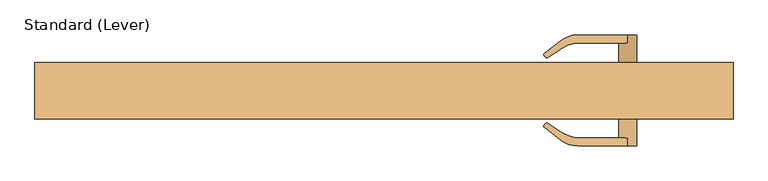
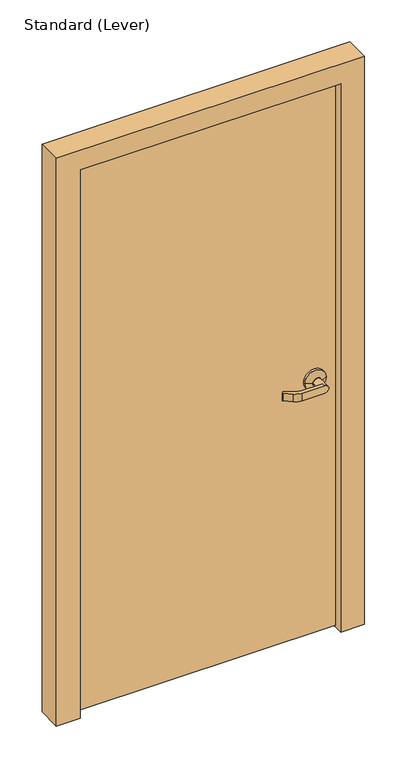
"""IFC4 building model written with IfcOpenShell, lengths in millimetres: door geometry, Standard (Lever)."""

from ifc_helpers import new_model, si_unit, frame, origin, place, context, project, spatial, polyline, circle_curve, outline, extrude, faceted_brep, source, transform, mapped, element, save
from ifc_brep_helpers import plane_surface, cylinder_surface, revolved_surface, advanced_brep


def standard_lever_ab5ebf7a(model_context):
    return source(origin(), model_context, "Body", "SolidModel", [
        advanced_brep(
        [(420.6875, 23.01875, 965.2), (344.4875, 23.01875, 965.2), (344.4875, 30.95625, 965.2), (420.6875, 30.95625, 965.2), (396.875, 88.10625, 965.2), (382.5875, 88.10625, 950.9125), (303.8375396, 88.10625, 950.9125), (303.8375396, 88.10625, 979.4875), (382.5875, 88.10625, 979.4875), (396.875, 43.65625, 965.2), (368.3, 43.65625, 965.2), (368.3, 75.40625, 965.2), (382.5875, 75.40625, 950.9125), (382.5875, 75.40625, 979.4875), (398.4625, 43.65625, 965.2), (366.7125, 43.65625, 965.2), (307.180272, 75.40625, 979.4875), (276.2447239, 78.5050523, 979.4875), (251.9253134, 59.2492682, 979.4875), (251.6792118, 54.9993463, 979.4875), (253.6960617, 52.9824964, 979.4875), (257.0588233, 52.6290559, 979.4875), (279.512609, 67.2107149, 979.4875), (307.180272, 75.40625, 950.9125), (279.512609, 67.2107149, 950.9125), (257.0588233, 52.6290559, 950.9125), (253.6960617, 52.9824964, 950.9125), (251.6792118, 54.9993463, 950.9125), (251.9253134, 59.2492682, 950.9125), (276.2447239, 78.5050523, 950.9125)],
        [
            (0, 1, circle_curve(frame((382.5875, 23.01875, 965.2), z_axis=(0.0, -1.0, 0.0), x_axis=(-1.0, 0.0, 0.0)), 38.1)),
            (1, 0, circle_curve(frame((382.5875, 23.01875, 965.2), z_axis=(0.0, -1.0, 0.0), x_axis=(-1.0, 0.0, 0.0)), 38.1)),
            (1, 2),
            (2, 3, circle_curve(frame((382.5875, 30.95625, 965.2), z_axis=(0.0, -1.0, 0.0), x_axis=(-1.0, 0.0, 0.0)), 38.1)),
            (3, 0),
            (3, 2, circle_curve(frame((382.5875, 30.95625, 965.2), z_axis=(0.0, -1.0, 0.0), x_axis=(-1.0, 0.0, 0.0)), 38.1)),
            (4, 5, circle_curve(frame((382.5875, 88.10625, 965.2), z_axis=(0.0, 1.0, 0.0), x_axis=(-1.0, 0.0, 0.0)), 14.2875)),
            (5, 6),
            (6, 7),
            (7, 8),
            (8, 4, circle_curve(frame((382.5875, 88.10625, 965.2), z_axis=(0.0, 1.0, 0.0), x_axis=(-1.0, 0.0, 0.0)), 14.2875)),
            (4, 9),
            (9, 10, circle_curve(frame((382.5875, 43.65625, 965.2), z_axis=(0.0, 1.0, 0.0), x_axis=(-1.0, 0.0, 0.0)), 14.2875)),
            (10, 11),
            (11, 12, circle_curve(frame((382.5875, 75.40625, 965.2), z_axis=(0.0, -1.0, 0.0), x_axis=(-1.0, 0.0, 0.0)), 14.2875)),
            (12, 5),
            (8, 13),
            (13, 11, circle_curve(frame((382.5875, 75.40625, 965.2), z_axis=(0.0, -1.0, 0.0), x_axis=(-1.0, 0.0, 0.0)), 14.2875)),
            (10, 9, circle_curve(frame((382.5875, 43.65625, 965.2), z_axis=(0.0, 1.0, 0.0), x_axis=(-1.0, 0.0, 0.0)), 14.2875)),
            (14, 15, circle_curve(frame((382.5875, 43.65625, 965.2), z_axis=(0.0, 1.0, 0.0), x_axis=(1.0, 0.0, 0.0)), 15.875)),
            (15, 14, circle_curve(frame((382.5875, 43.65625, 965.2), z_axis=(0.0, 1.0, 0.0), x_axis=(-1.0, 0.0, 0.0)), 15.875)),
            (14, 3),
            (2, 15),
            (16, 13),
            (7, 17, circle_curve(frame((303.8375396, 43.65625, 979.4875), z_axis=(0.0, 0.0, 1.0), x_axis=(-1.0, 0.0, 0.0)), 44.45)),
            (17, 18),
            (18, 19, circle_curve(frame((253.6945929, 57.0147275, 979.4875), z_axis=(0.0, 0.0, 1.0), x_axis=(-1.0, 0.0, 0.0)), 2.8501794)),
            (19, 20),
            (20, 21, circle_curve(frame((255.5956738, 54.8821085, 979.4875), z_axis=(0.0, 0.0, 1.0), x_axis=(-1.0, 0.0, 0.0)), 2.6864572)),
            (21, 22),
            (22, 16, circle_curve(frame((307.180272, 24.60625, 979.4875), z_axis=(0.0, 0.0, -1.0), x_axis=(-1.0, 0.0, 0.0)), 50.8)),
            (23, 24, circle_curve(frame((307.180272, 24.60625, 950.9125), z_axis=(0.0, 0.0, 1.0), x_axis=(-1.0, 0.0, 0.0)), 50.8)),
            (24, 25),
            (25, 26, circle_curve(frame((255.5956738, 54.8821085, 950.9125), z_axis=(0.0, 0.0, -1.0), x_axis=(-1.0, 0.0, 0.0)), 2.6864572)),
            (26, 27),
            (27, 28, circle_curve(frame((253.6945929, 57.0147275, 950.9125), z_axis=(0.0, 0.0, -1.0), x_axis=(-1.0, 0.0, 0.0)), 2.8501794)),
            (28, 29),
            (29, 6, circle_curve(frame((303.8375396, 43.65625, 950.9125), z_axis=(0.0, 0.0, -1.0), x_axis=(-1.0, 0.0, 0.0)), 44.45)),
            (12, 23),
            (16, 23),
            (29, 17),
            (28, 18),
            (27, 19),
            (26, 20),
            (25, 21),
            (24, 22),
        ],
        [
            plane_surface(frame((344.4875, 23.01875, 965.2), z_axis=(0.0, -1.0, 0.0), x_axis=(0.0, 0.0, -1.0))),
            cylinder_surface(frame((382.5875, 23.01875, 965.2), z_axis=(0.0, 1.0, 0.0), x_axis=(-1.0, 0.0, 0.0)), 38.1),
            plane_surface(frame((368.3, 88.10625, 965.2), z_axis=(0.0, 1.0, 0.0), x_axis=(0.0, 0.0, 1.0))),
            cylinder_surface(frame((382.5875, 30.95625, 965.2), z_axis=(0.0, 1.0, 0.0), x_axis=(-1.0, 0.0, 0.0)), 14.2875),
            plane_surface(frame((382.5875, 43.65625, 965.2), z_axis=(0.0, 1.0, 0.0), x_axis=(0.0, 0.0, -1.0))),
            revolved_surface(polyline([(398.4625000291667, 43.65625, 965.2), (420.6875, 30.95625, 965.2)]), (382.5875, 52.7276786, 965.2), (0.0, -1.0, 0.0)),
            revolved_surface(polyline([(366.71249997083333, 43.65625, 965.2), (344.4875, 30.95625, 965.2)]), (382.5875, 52.7276786, 965.2), (0.0, -1.0, 0.0)),
            plane_surface(frame((382.5875, 75.40625, 979.4875), z_axis=(0.0, 0.0, 1.0), x_axis=(1.0, 0.0, 0.0))),
            plane_surface(frame((382.5875, 75.40625, 950.9125), z_axis=(0.0, 0.0, -1.0), x_axis=(-1.0, 0.0, 0.0))),
            plane_surface(frame((307.180272, 75.40625, 979.4875), z_axis=(0.0, -1.0, 0.0), x_axis=(0.0, 0.0, -1.0))),
            cylinder_surface(frame((303.8375396, 43.65625, 950.9125), z_axis=(0.0, 0.0, 1.0), x_axis=(-1.0, 0.0, 0.0)), 44.45),
            plane_surface(frame((276.2447239, 78.5050523, 979.4875), z_axis=(-0.6207607591148713, 0.7840000509841367, 0.0), x_axis=(0.0, 0.0, -1.0))),
            cylinder_surface(frame((253.6945929, 57.0147275, 950.9125), z_axis=(0.0, 0.0, 1.0), x_axis=(-1.0, 0.0, 0.0)), 2.8501794),
            plane_surface(frame((251.6792118, 54.9993463, 979.4875), z_axis=(-0.7071067811865505, -0.7071067811865446, 0.0), x_axis=(0.0, 0.0, -1.0))),
            cylinder_surface(frame((255.5956738, 54.8821085, 950.9125), z_axis=(0.0, 0.0, 1.0), x_axis=(-1.0, 0.0, 0.0)), 2.6864572),
            plane_surface(frame((257.0588233, 52.6290559, 979.4875), z_axis=(0.544639035015027, -0.838670567945424, 0.0), x_axis=(0.0, 0.0, -1.0))),
            revolved_surface(polyline([(256.380272, 24.60625, 950.9125), (256.380272, 24.60625, 979.4875)]), (307.180272, 24.60625, 950.9125), (0.0, 0.0, -1.0)),
        ],
        [
            (0, [[1, 2]]),
            (1, [[-2, 3, 4, 5]]),
            (1, [[-1, -5, 6, -3]]),
            (2, [[7, 8, 9, 10, 11]]),
            (3, [[12, 13, 14, 15, 16, -7]]),
            (3, [[-12, -11, 17, 18, -14, 19]]),
            (4, [[20, 21], [-13, -19]]),
            (5, [[-20, 22, -4, 23]]),
            (6, [[-21, -23, -6, -22]]),
            (7, [[24, -17, -10, 25, 26, 27, 28, 29, 30, 31]]),
            (8, [[32, 33, 34, 35, 36, 37, 38, -8, -16, 39]]),
            (9, [[-24, 40, -39, -15, -18]]),
            (10, [[-25, -9, -38, 41]]),
            (11, [[-26, -41, -37, 42]]),
            (12, [[-27, -42, -36, 43]]),
            (13, [[-28, -43, -35, 44]]),
            (14, [[-29, -44, -34, 45]]),
            (15, [[-30, -45, -33, 46]]),
            (16, [[-31, -46, -32, -40]]),
        ],
    ),
        advanced_brep(
        [(420.6875, -21.43125, 965.2), (344.4875, -21.43125, 965.2), (420.6875, -29.36875, 965.2), (344.4875, -29.36875, 965.2), (396.875, -86.51875, 965.2), (382.5875, -86.51875, 979.4875), (303.8375396, -86.51875, 979.4875), (303.8375396, -86.51875, 950.9125), (382.5875, -86.51875, 950.9125), (382.5875, -73.81875, 950.9125), (368.3, -73.81875, 965.2), (368.3, -42.06875, 965.2), (396.875, -42.06875, 965.2), (382.5875, -73.81875, 979.4875), (398.4625, -42.06875, 965.2), (366.7125, -42.06875, 965.2), (307.180272, -73.81875, 979.4875), (279.512609, -65.6232149, 979.4875), (257.0588233, -51.0415559, 979.4875), (253.6960617, -51.3949964, 979.4875), (251.6792118, -53.4118463, 979.4875), (251.9253134, -57.6617682, 979.4875), (276.2447239, -76.9175523, 979.4875), (307.180272, -73.81875, 950.9125), (276.2447239, -76.9175523, 950.9125), (251.9253134, -57.6617682, 950.9125), (251.6792118, -53.4118463, 950.9125), (253.6960617, -51.3949964, 950.9125), (257.0588233, -51.0415559, 950.9125), (279.512609, -65.6232149, 950.9125)],
        [
            (0, 1, circle_curve(frame((382.5875, -21.43125, 965.2), z_axis=(0.0, 1.0, 0.0), x_axis=(-1.0, 0.0, 0.0)), 38.1)),
            (1, 0, circle_curve(frame((382.5875, -21.43125, 965.2), z_axis=(0.0, 1.0, 0.0), x_axis=(-1.0, 0.0, 0.0)), 38.1)),
            (0, 2),
            (2, 3, circle_curve(frame((382.5875, -29.36875, 965.2), z_axis=(0.0, 1.0, 0.0), x_axis=(-1.0, 0.0, 0.0)), 38.1)),
            (3, 1),
            (3, 2, circle_curve(frame((382.5875, -29.36875, 965.2), z_axis=(0.0, 1.0, 0.0), x_axis=(-1.0, 0.0, 0.0)), 38.1)),
            (4, 5, circle_curve(frame((382.5875, -86.51875, 965.2), z_axis=(0.0, -1.0, 0.0), x_axis=(-1.0, 0.0, 0.0)), 14.2875)),
            (5, 6),
            (6, 7),
            (7, 8),
            (8, 4, circle_curve(frame((382.5875, -86.51875, 965.2), z_axis=(0.0, -1.0, 0.0), x_axis=(-1.0, 0.0, 0.0)), 14.2875)),
            (8, 9),
            (9, 10, circle_curve(frame((382.5875, -73.81875, 965.2), z_axis=(0.0, 1.0, 0.0), x_axis=(-1.0, 0.0, 0.0)), 14.2875)),
            (10, 11),
            (11, 12, circle_curve(frame((382.5875, -42.06875, 965.2), z_axis=(0.0, -1.0, 0.0), x_axis=(-1.0, 0.0, 0.0)), 14.2875)),
            (12, 4),
            (12, 11, circle_curve(frame((382.5875, -42.06875, 965.2), z_axis=(0.0, -1.0, 0.0), x_axis=(-1.0, 0.0, 0.0)), 14.2875)),
            (10, 13, circle_curve(frame((382.5875, -73.81875, 965.2), z_axis=(0.0, 1.0, 0.0), x_axis=(-1.0, 0.0, 0.0)), 14.2875)),
            (13, 5),
            (14, 15, circle_curve(frame((382.5875, -42.06875, 965.2), z_axis=(0.0, -1.0, 0.0), x_axis=(-1.0, 0.0, 0.0)), 15.875)),
            (15, 14, circle_curve(frame((382.5875, -42.06875, 965.2), z_axis=(0.0, -1.0, 0.0), x_axis=(1.0, 0.0, 0.0)), 15.875)),
            (15, 3),
            (2, 14),
            (16, 17, circle_curve(frame((307.180272, -23.01875, 979.4875), z_axis=(0.0, 0.0, -1.0), x_axis=(-1.0, 0.0, 0.0)), 50.8)),
            (17, 18),
            (18, 19, circle_curve(frame((255.5956738, -53.2946085, 979.4875), z_axis=(0.0, 0.0, 1.0), x_axis=(-1.0, 0.0, 0.0)), 2.6864572)),
            (19, 20),
            (20, 21, circle_curve(frame((253.6945929, -55.4272275, 979.4875), z_axis=(0.0, 0.0, 1.0), x_axis=(-1.0, 0.0, 0.0)), 2.8501794)),
            (21, 22),
            (22, 6, circle_curve(frame((303.8375396, -42.06875, 979.4875), z_axis=(0.0, 0.0, 1.0), x_axis=(-1.0, 0.0, 0.0)), 44.45)),
            (13, 16),
            (23, 9),
            (7, 24, circle_curve(frame((303.8375396, -42.06875, 950.9125), z_axis=(0.0, 0.0, -1.0), x_axis=(-1.0, 0.0, 0.0)), 44.45)),
            (24, 25),
            (25, 26, circle_curve(frame((253.6945929, -55.4272275, 950.9125), z_axis=(0.0, 0.0, -1.0), x_axis=(-1.0, 0.0, 0.0)), 2.8501794)),
            (26, 27),
            (27, 28, circle_curve(frame((255.5956738, -53.2946085, 950.9125), z_axis=(0.0, 0.0, -1.0), x_axis=(-1.0, 0.0, 0.0)), 2.6864572)),
            (28, 29),
            (29, 23, circle_curve(frame((307.180272, -23.01875, 950.9125), z_axis=(0.0, 0.0, 1.0), x_axis=(-1.0, 0.0, 0.0)), 50.8)),
            (23, 16),
            (22, 24),
            (21, 25),
            (20, 26),
            (19, 27),
            (18, 28),
            (17, 29),
        ],
        [
            plane_surface(frame((344.4875, -21.43125, 965.2), z_axis=(0.0, 1.0, 0.0), x_axis=(0.0, 0.0, -1.0))),
            cylinder_surface(frame((382.5875, -21.43125, 965.2), z_axis=(0.0, -1.0, 0.0), x_axis=(-1.0, 0.0, 0.0)), 38.1),
            plane_surface(frame((368.3, -86.51875, 965.2), z_axis=(0.0, -1.0, 0.0), x_axis=(0.0, 0.0, 1.0))),
            cylinder_surface(frame((382.5875, -29.36875, 965.2), z_axis=(0.0, -1.0, 0.0), x_axis=(-1.0, 0.0, 0.0)), 14.2875),
            plane_surface(frame((382.5875, -42.06875, 965.2), z_axis=(0.0, -1.0, 0.0), x_axis=(0.0, 0.0, -1.0))),
            revolved_surface(polyline([(366.71249997083333, -42.06875, 965.2), (344.4875, -29.36875, 965.2)]), (382.5875, -51.1401786, 965.2), (0.0, 1.0, 0.0)),
            revolved_surface(polyline([(398.4625000291667, -42.06875, 965.2), (420.6875, -29.36875, 965.2)]), (382.5875, -51.1401786, 965.2), (0.0, 1.0, 0.0)),
            plane_surface(frame((382.5875, -73.81875, 979.4875), z_axis=(0.0, 0.0, 1.0), x_axis=(1.0, 0.0, 0.0))),
            plane_surface(frame((382.5875, -73.81875, 950.9125), z_axis=(0.0, 0.0, -1.0), x_axis=(-1.0, 0.0, 0.0))),
            plane_surface(frame((307.180272, -73.81875, 979.4875), z_axis=(0.0, 1.0, 0.0), x_axis=(0.0, 0.0, -1.0))),
            cylinder_surface(frame((303.8375396, -42.06875, 950.9125), z_axis=(0.0, 0.0, 1.0), x_axis=(-1.0, 0.0, 0.0)), 44.45),
            plane_surface(frame((276.2447239, -76.9175523, 979.4875), z_axis=(-0.6207607591148713, -0.7840000509841367, 0.0), x_axis=(0.0, 0.0, -1.0))),
            cylinder_surface(frame((253.6945929, -55.4272275, 950.9125), z_axis=(0.0, 0.0, 1.0), x_axis=(-1.0, 0.0, 0.0)), 2.8501794),
            plane_surface(frame((251.6792118, -53.4118463, 979.4875), z_axis=(-0.7071067811865505, 0.7071067811865446, 0.0), x_axis=(0.0, 0.0, -1.0))),
            cylinder_surface(frame((255.5956738, -53.2946085, 950.9125), z_axis=(0.0, 0.0, 1.0), x_axis=(-1.0, 0.0, 0.0)), 2.6864572),
            plane_surface(frame((257.0588233, -51.0415559, 979.4875), z_axis=(0.544639035015027, 0.838670567945424, 0.0), x_axis=(0.0, 0.0, -1.0))),
            revolved_surface(polyline([(256.380272, -23.01875, 950.9125), (256.380272, -23.01875, 979.4875)]), (307.180272, -23.01875, 950.9125), (0.0, 0.0, -1.0)),
        ],
        [
            (0, [[1, 2]]),
            (1, [[3, 4, 5, -1]]),
            (1, [[-5, 6, -3, -2]]),
            (2, [[7, 8, 9, 10, 11]]),
            (3, [[-11, 12, 13, 14, 15, 16]]),
            (3, [[17, -14, 18, 19, -7, -16]]),
            (4, [[20, 21], [-17, -15]]),
            (5, [[22, -4, 23, -21]]),
            (6, [[-23, -6, -22, -20]]),
            (7, [[24, 25, 26, 27, 28, 29, 30, -8, -19, 31]]),
            (8, [[32, -12, -10, 33, 34, 35, 36, 37, 38, 39]]),
            (9, [[-18, -13, -32, 40, -31]]),
            (10, [[41, -33, -9, -30]]),
            (11, [[42, -34, -41, -29]]),
            (12, [[43, -35, -42, -28]]),
            (13, [[44, -36, -43, -27]]),
            (14, [[45, -37, -44, -26]]),
            (15, [[46, -38, -45, -25]]),
            (16, [[-40, -39, -46, -24]]),
        ],
    ),
        extrude(outline(polyline([(458.7875, 23.01875), (458.7875, -21.43125), (-458.7875, -21.43125), (-458.7875, 23.01875), (458.7875, 23.01875)])), frame((0.0, 0.0, 12.7), z_axis=(0.0, 0.0, 1.0), x_axis=(1.0, 0.0, 0.0)), (0.0, 0.0, 1.0), 2041.525),
        faceted_brep([(463.55, 44.45, 0.0), (547.6875, 44.45, 0.0), (547.6875, -44.45, 0.0), (463.55, -44.45, 0.0), (463.55, 26.9875, 0.0), (449.2625, 26.9875, 0.0), (449.2625, 38.1, 0.0), (463.55, 38.1, 0.0), (-463.55, 44.45, 0.0), (-463.55, 38.1, 0.0), (-449.2625, 38.1, 0.0), (-449.2625, 26.9875, 0.0), (-463.55, 26.9875, 0.0), (-463.55, -44.45, 0.0), (-547.6875, -44.45, 0.0), (-547.6875, 44.45, 0.0), (-547.6875, -44.45, 2133.6), (-547.6875, 44.45, 2133.6), (547.6875, -44.45, 2133.6), (547.6875, 44.45, 2133.6), (-463.55, 26.9875, 2060.575), (463.55, 26.9875, 2060.575), (463.55, -44.45, 2060.575), (-463.55, -44.45, 2060.575), (449.2625, 38.1, 2046.2875), (449.2625, 26.9875, 2046.2875), (-449.2625, 26.9875, 2046.2875), (-449.2625, 38.1, 2046.2875), (463.55, 44.45, 2060.575), (-463.55, 44.45, 2060.575), (-463.55, 38.1, 2060.575), (463.55, 38.1, 2060.575)], [[[0, 1, 2, 3, 4, 5, 6, 7]], [[8, 9, 10, 11, 12, 13, 14, 15]], [[15, 14, 16, 17]], [[16, 18, 19, 17]], [[20, 21, 22, 23]], [[24, 25, 26, 27]], [[1, 0, 28, 29, 8, 15, 17, 19]], [[2, 1, 19, 18]], [[3, 2, 18, 16, 14, 13, 23, 22]], [[4, 3, 22, 21]], [[5, 4, 21, 20, 12, 11, 26, 25]], [[6, 5, 25, 24]], [[7, 6, 24, 27, 10, 9, 30, 31]], [[0, 7, 31, 28]], [[30, 9, 8, 29]], [[11, 10, 27, 26]], [[13, 12, 20, 23]], [[28, 31, 30, 29]]]),
    ])


if __name__ == "__main__":
    model = new_model("IFC4")
    model_context = context("Model", 3, world=origin())
    ifc_project = project(units=[si_unit("LENGTHUNIT", "METRE", prefix="MILLI")], contexts=[model_context])
    site = spatial("IfcSite", under=ifc_project)
    building = spatial("IfcBuilding", under=site)
    placement = place(None, origin())
    standard_lever_shape = standard_lever_ab5ebf7a(model_context)
    element("IfcDoor", 1, ObjectType="Standard (Lever)", at=placement, inside=building, context=model_context, shape_type="MappedRepresentation", body=[
        mapped(standard_lever_shape, transform((0.0, 0.0, 0.0), x_axis=(1.0, 0.0, 0.0), y_axis=(0.0, 1.0, 0.0), z_axis=(0.0, 0.0, 1.0))),
    ])
    save(model, "model.ifc")
